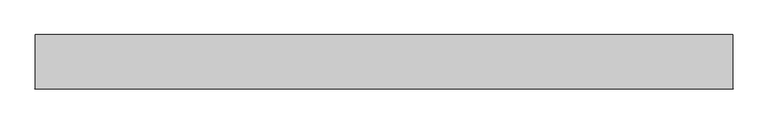
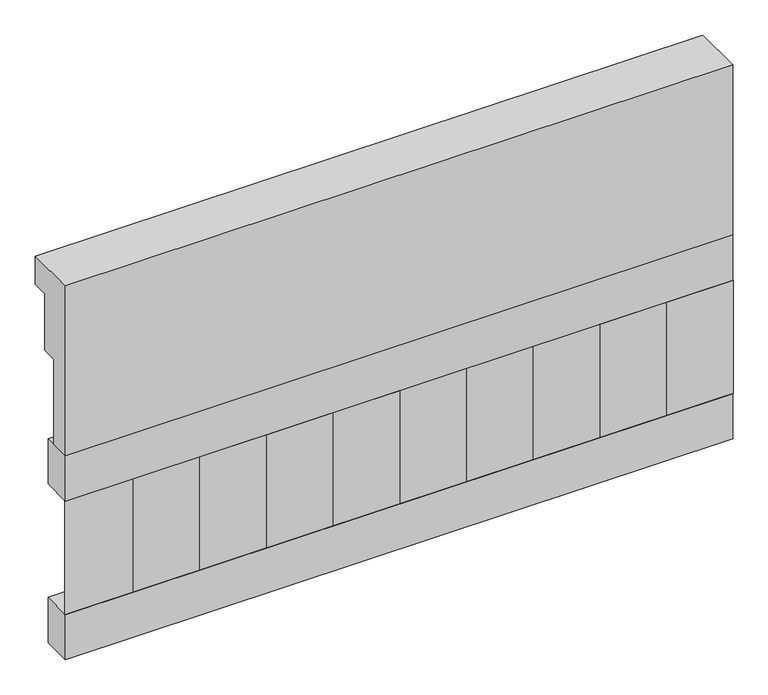
"""IFC4 building model written with IfcOpenShell, lengths in millimetres: railing geometry."""

from ifc_helpers import new_model, si_unit, frame, origin, place, context, project, spatial, polyline, outline, extrude, source, transform, mapped, element, save


def railing_1d43606b(model_context):
    return source(origin(), model_context, "Body", "SweptSolid", [
        extrude(outline(polyline([(903.1079487, 28400.0), (1033.1079487, 28400.0), (1033.1079487, 28325.0), (993.1079487, 28325.0), (993.1079487, 28175.0), (953.1079487, 28175.0), (953.1079487, 27950.0), (903.1079487, 27950.0), (903.1079487, 28400.0)])), frame((-15749.9887159, 0.0, 0.0), z_axis=(1.0, 0.0, 0.0), x_axis=(0.0, 1.0, 0.0)), (0.0, 0.0, 1.0), 1670.0),
        extrude(outline(polyline([(-14079.9887159, 978.1079487), (-14079.9887159, 903.1079487), (-15749.9887159, 903.1079487), (-15749.9887159, 978.1079487), (-14079.9887159, 978.1079487)])), frame((0.0, 0.0, 27830.0), z_axis=(0.0, 0.0, 1.0), x_axis=(1.0, 0.0, 0.0)), (0.0, 0.0, 1.0), 120.0),
        extrude(outline(polyline([(-14079.9887159, 978.1079487), (-14079.9887159, 903.1079487), (-15749.9887159, 903.1079487), (-15749.9887159, 978.1079487), (-14079.9887159, 978.1079487)])), frame((0.0, 0.0, 27410.0), z_axis=(0.0, 0.0, 1.0), x_axis=(1.0, 0.0, 0.0)), (0.0, 0.0, 1.0), 120.0),
        extrude(outline(polyline([(-15666.4887159, 987.9607624), (-15581.6359022, 903.1079487), (-15751.3415296, 903.1079487), (-15666.4887159, 987.9607624)])), frame((0.0, 0.0, 27530.0), z_axis=(0.0, 0.0, 1.0), x_axis=(1.0, 0.0, 0.0)), (0.0, 0.0, 1.0), 300.0),
        extrude(outline(polyline([(-15499.4887159, 987.9607624), (-15414.6359022, 903.1079487), (-15584.3415296, 903.1079487), (-15499.4887159, 987.9607624)])), frame((0.0, 0.0, 27530.0), z_axis=(0.0, 0.0, 1.0), x_axis=(1.0, 0.0, 0.0)), (0.0, 0.0, 1.0), 300.0),
        extrude(outline(polyline([(-15332.4887159, 987.9607624), (-15247.6359022, 903.1079487), (-15417.3415296, 903.1079487), (-15332.4887159, 987.9607624)])), frame((0.0, 0.0, 27530.0), z_axis=(0.0, 0.0, 1.0), x_axis=(1.0, 0.0, 0.0)), (0.0, 0.0, 1.0), 300.0),
        extrude(outline(polyline([(-15165.4887159, 987.9607624), (-15080.6359022, 903.1079487), (-15250.3415296, 903.1079487), (-15165.4887159, 987.9607624)])), frame((0.0, 0.0, 27530.0), z_axis=(0.0, 0.0, 1.0), x_axis=(1.0, 0.0, 0.0)), (0.0, 0.0, 1.0), 300.0),
        extrude(outline(polyline([(-14998.4887159, 987.9607624), (-14913.6359022, 903.1079487), (-15083.3415296, 903.1079487), (-14998.4887159, 987.9607624)])), frame((0.0, 0.0, 27530.0), z_axis=(0.0, 0.0, 1.0), x_axis=(1.0, 0.0, 0.0)), (0.0, 0.0, 1.0), 300.0),
        extrude(outline(polyline([(-14831.4887159, 987.9607624), (-14746.6359022, 903.1079487), (-14916.3415296, 903.1079487), (-14831.4887159, 987.9607624)])), frame((0.0, 0.0, 27530.0), z_axis=(0.0, 0.0, 1.0), x_axis=(1.0, 0.0, 0.0)), (0.0, 0.0, 1.0), 300.0),
        extrude(outline(polyline([(-14664.4887159, 987.9607624), (-14579.6359022, 903.1079487), (-14749.3415296, 903.1079487), (-14664.4887159, 987.9607624)])), frame((0.0, 0.0, 27530.0), z_axis=(0.0, 0.0, 1.0), x_axis=(1.0, 0.0, 0.0)), (0.0, 0.0, 1.0), 300.0),
        extrude(outline(polyline([(-14497.4887159, 987.9607624), (-14412.6359022, 903.1079487), (-14582.3415296, 903.1079487), (-14497.4887159, 987.9607624)])), frame((0.0, 0.0, 27530.0), z_axis=(0.0, 0.0, 1.0), x_axis=(1.0, 0.0, 0.0)), (0.0, 0.0, 1.0), 300.0),
        extrude(outline(polyline([(-14330.4887159, 987.9607624), (-14245.6359022, 903.1079487), (-14415.3415296, 903.1079487), (-14330.4887159, 987.9607624)])), frame((0.0, 0.0, 27530.0), z_axis=(0.0, 0.0, 1.0), x_axis=(1.0, 0.0, 0.0)), (0.0, 0.0, 1.0), 300.0),
        extrude(outline(polyline([(-14163.4887159, 987.9607624), (-14078.6359022, 903.1079487), (-14248.3415296, 903.1079487), (-14163.4887159, 987.9607624)])), frame((0.0, 0.0, 27530.0), z_axis=(0.0, 0.0, 1.0), x_axis=(1.0, 0.0, 0.0)), (0.0, 0.0, 1.0), 300.0),
    ])


if __name__ == "__main__":
    model = new_model("IFC4")
    model_context = context("Model", 3, world=origin())
    ifc_project = project(units=[si_unit("LENGTHUNIT", "METRE", prefix="MILLI")], contexts=[model_context])
    site = spatial("IfcSite", under=ifc_project)
    building = spatial("IfcBuilding", under=site)
    placement = place(None, origin())
    railing_shape = railing_1d43606b(model_context)
    element("IfcRailing", 1, at=placement, inside=building, context=model_context, shape_type="MappedRepresentation", body=[
        mapped(railing_shape, transform((0.0, 0.0, 0.0), x_axis=(1.0, 0.0, 0.0), y_axis=(0.0, 1.0, 0.0), z_axis=(0.0, 0.0, 1.0))),
    ])
    save(model, "model.ifc")
